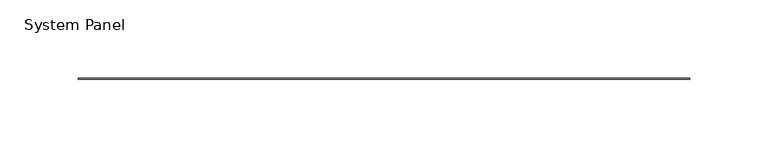
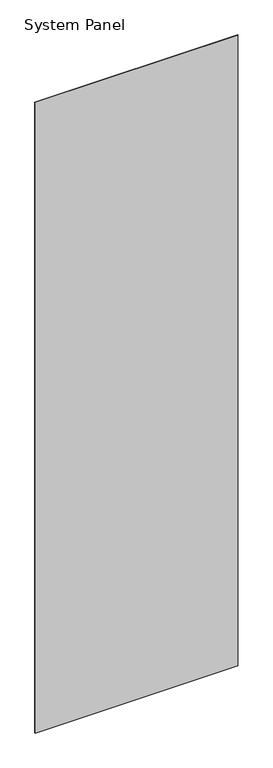
"""IFC4 building model written with IfcOpenShell, lengths in millimetres: plate geometry, System Panel."""

from ifc_helpers import new_model, si_unit, origin, origin_with_axes, place, context, project, spatial, polyline, outline, extrude, source, transform, mapped, element, save


def system_panel_6bd02706(model_context):
    return source(origin(), model_context, "Body", "SweptSolid", [
        extrude(outline(polyline([(195.5165, -0.396875), (-195.5165, -0.396875), (-195.5165, 0.396875), (195.5165, 0.396875), (195.5165, -0.396875)])), origin_with_axes(), (0.0, 0.0, 1.0), 1285.875),
    ])


if __name__ == "__main__":
    model = new_model("IFC4")
    model_context = context("Model", 3, world=origin())
    ifc_project = project(units=[si_unit("LENGTHUNIT", "METRE", prefix="MILLI")], contexts=[model_context])
    site = spatial("IfcSite", under=ifc_project)
    building = spatial("IfcBuilding", under=site)
    placement = place(None, origin())
    system_panel_shape = system_panel_6bd02706(model_context)
    element("IfcPlate", 1, ObjectType="System Panel", at=placement, inside=building, context=model_context, shape_type="MappedRepresentation", body=[
        mapped(system_panel_shape, transform((0.0, 0.0, 0.0), x_axis=(1.0, 0.0, 0.0), y_axis=(0.0, 1.0, 0.0), z_axis=(0.0, 0.0, 1.0))),
    ])
    save(model, "model.ifc")
